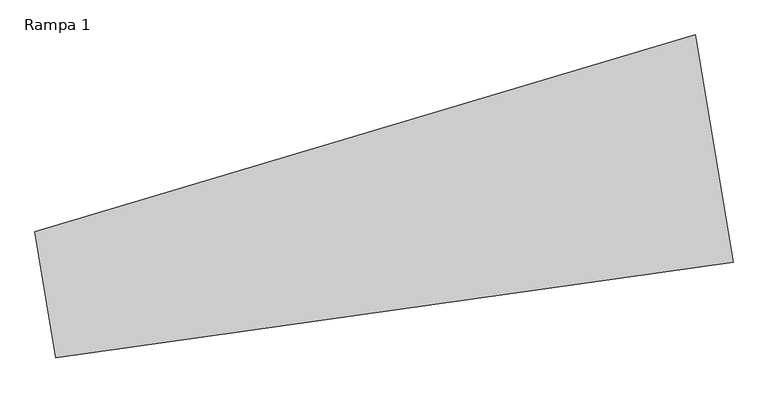
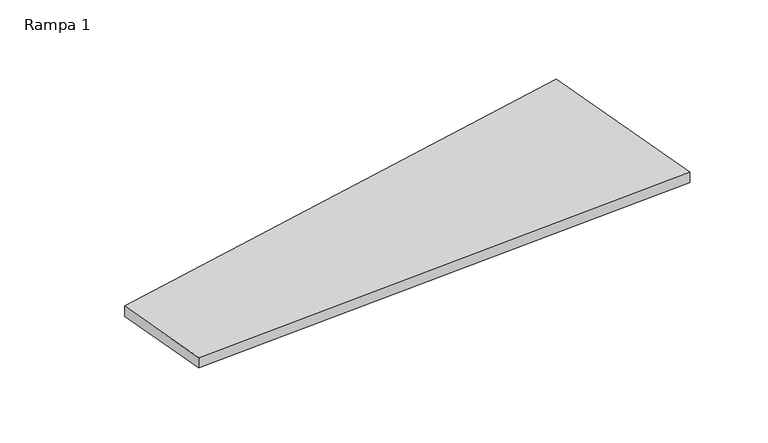
"""IFC4 building model written with IfcOpenShell, lengths in millimetres: ramp geometry, Rampa 1."""

from ifc_helpers import new_model, si_unit, origin, place, context, project, spatial, faceted_brep, source, transform, mapped, element, save


def rampa_1_3f68f0c2(model_context):
    return source(origin(), model_context, "Body", "Brep", [
        faceted_brep([(-32597.9561227, 46998.5058306, 3500.0), (-25220.8370827, 48035.2887006, 3000.0), (-25632.9128505, 50514.0738135, 3000.0), (-32826.348869, 48372.3709874, 3500.0), (-32597.9561227, 46998.5058306, 3349.6623097), (-32826.348869, 48372.3709874, 3349.6623097), (-25632.9128505, 50514.0738135, 2849.6623097), (-25220.8370827, 48035.2887006, 2849.6623097)], [[[0, 1, 2, 3]], [[4, 5, 6, 7]], [[1, 0, 4, 7]], [[2, 1, 7, 6]], [[3, 2, 6, 5]], [[0, 3, 5, 4]]]),
    ])


if __name__ == "__main__":
    model = new_model("IFC4")
    model_context = context("Model", 3, world=origin())
    ifc_project = project(units=[si_unit("LENGTHUNIT", "METRE", prefix="MILLI")], contexts=[model_context])
    site = spatial("IfcSite", under=ifc_project)
    building = spatial("IfcBuilding", under=site)
    placement = place(None, origin())
    rampa_1_shape = rampa_1_3f68f0c2(model_context)
    element("IfcRamp", 1, ObjectType="Rampa 1", at=placement, inside=building, context=model_context, shape_type="MappedRepresentation", body=[
        mapped(rampa_1_shape, transform((0.0, 0.0, 0.0), x_axis=(1.0, 0.0, 0.0), y_axis=(0.0, 1.0, 0.0), z_axis=(0.0, 0.0, 1.0))),
    ])
    save(model, "model.ifc")
